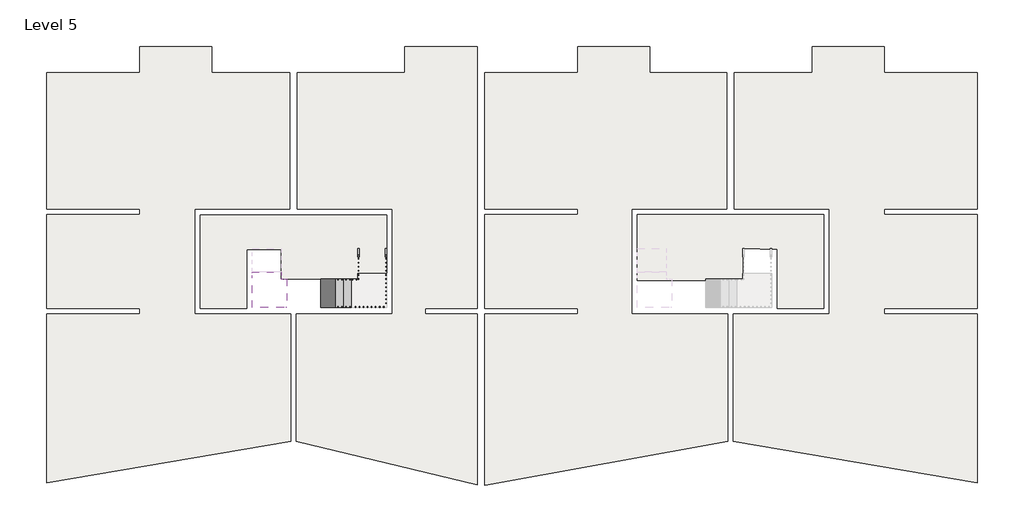
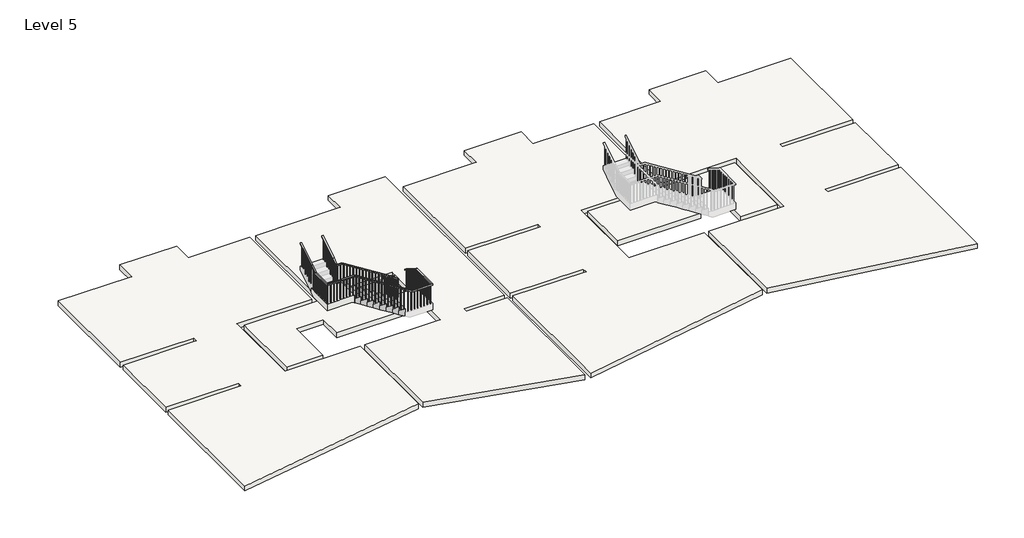
# One storey, part 1 of 2: 7 slabs, 2 railings, 1 stair flight.
"""IFC4 building model written with IfcOpenShell, lengths in millimetres."""

from ifc_helpers import new_model, si_unit, frame, origin, place, context, project, spatial, polyline, outline, extrude, faceted_brep, element, save

model = new_model("IFC4")

# Units and contexts
model_context = context("Model", 3, world=origin())
ifc_project = project(units=[si_unit("LENGTHUNIT", "METRE", prefix="MILLI")], contexts=[model_context])

# Site, building, storey
site = spatial("IfcSite", under=ifc_project)
building = spatial("IfcBuilding", under=site)
storey = spatial("IfcBuildingStorey", under=building, Name="Level 5", Elevation=14800.0)

# Railings
placement = place(None, origin())
element("IfcRailing", 1, ObjectType="900mm", at=placement, inside=storey, context=model_context, shape_type="SolidModel", body=[
    faceted_brep([(-7197.4096791, 12537.190715, 15876.7647059), (-7197.4096791, 12537.190715, 15817.6347035), (-7247.4096791, 12537.190715, 15817.6347035), (-7247.4096791, 12537.190715, 15876.7647059), (-7197.4096791, 11697.190715, 16407.0588235), (-7197.4096791, 11682.7285481, 16357.0588235), (-7247.4096791, 11682.7285481, 16357.0588235), (-7247.4096791, 11697.190715, 16407.0588235), (-7197.4096791, 11441.790715, 16407.0588235), (-7247.4096791, 11441.790715, 16407.0588235), (-7247.4096791, 11441.790715, 16357.0588235), (-7197.4096791, 11441.790715, 16357.0588235)], [[[0, 1, 2, 3]], [[1, 0, 4, 5]], [[2, 1, 5, 6]], [[3, 2, 6, 7]], [[0, 3, 7, 4]], [[8, 9, 10, 11]], [[5, 4, 8, 11]], [[6, 5, 11, 10]], [[7, 6, 10, 9]], [[4, 7, 9, 8]]]),
    faceted_brep([(-7247.4096791, 11441.790715, 16427.57469), (-7247.4096791, 11441.790715, 16362.8939115), (-7247.4096791, 11491.790715, 16362.8939115), (-7247.4096791, 11491.790715, 16427.57469), (-7437.8096791, 11441.790715, 16583.8235294), (-7467.1273437, 11441.790715, 16543.2018426), (-7467.1273437, 11491.790715, 16543.2018426), (-7437.8096791, 11491.790715, 16583.8235294), (-9677.8096791, 11441.790715, 17997.9411765), (-9692.2718459, 11441.790715, 17947.9411765), (-9692.2718459, 11491.790715, 17947.9411765), (-9677.8096791, 11491.790715, 17997.9411765), (-9948.2096791, 11441.790715, 17997.9411765), (-9948.2096791, 11491.790715, 17997.9411765), (-9948.2096791, 11491.790715, 17947.9411765), (-9948.2096791, 11441.790715, 17947.9411765)], [[[0, 1, 2, 3]], [[1, 0, 4, 5]], [[2, 1, 5, 6]], [[3, 2, 6, 7]], [[0, 3, 7, 4]], [[5, 4, 8, 9]], [[6, 5, 9, 10]], [[7, 6, 10, 11]], [[4, 7, 11, 8]], [[12, 13, 14, 15]], [[9, 8, 12, 15]], [[10, 9, 15, 14]], [[11, 10, 14, 13]], [[8, 11, 13, 12]]]),
    faceted_brep([(-9948.2096791, 11491.790715, 18017.1213746), (-9948.2096791, 11491.790715, 17954.1013778), (-9898.2096791, 11491.790715, 17954.1013778), (-9898.2096791, 11491.790715, 18017.1213746), (-9948.2096791, 11697.190715, 18174.7058824), (-9948.2096791, 11725.8135241, 18133.6455315), (-9898.2096791, 11725.8135241, 18133.6455315), (-9898.2096791, 11697.190715, 18174.7058824), (-9948.2096791, 12537.190715, 18705.0), (-9898.2096791, 12537.190715, 18705.0), (-9898.2096791, 12537.190715, 18645.8699976), (-9948.2096791, 12537.190715, 18645.8699976)], [[[0, 1, 2, 3]], [[1, 0, 4, 5]], [[2, 1, 5, 6]], [[3, 2, 6, 7]], [[0, 3, 7, 4]], [[8, 9, 10, 11]], [[5, 4, 8, 11]], [[6, 5, 11, 10]], [[7, 6, 10, 9]], [[4, 7, 9, 8]]]),
    extrude(outline(polyline([(12457.190715, 17628.2352941), (12457.190715, 18595.3657959), (12477.190715, 18607.9918463), (12477.190715, 17628.2352941), (12457.190715, 17628.2352941)])), frame((-9933.2096791, 0.0, 0.0), z_axis=(1.0, 0.0, 0.0), x_axis=(0.0, 1.0, 0.0)), (0.0, 0.0, 1.0), 20.0),
    extrude(outline(polyline([(12317.190715, 17628.2352941), (12317.190715, 18506.983443), (12337.190715, 18519.6094934), (12337.190715, 17628.2352941), (12317.190715, 17628.2352941)])), frame((-9933.2096791, 0.0, 0.0), z_axis=(1.0, 0.0, 0.0), x_axis=(0.0, 1.0, 0.0)), (0.0, 0.0, 1.0), 20.0),
    extrude(outline(polyline([(12177.190715, 17451.4705882), (12177.190715, 18418.60109), (12197.190715, 18431.2271405), (12197.190715, 17451.4705882), (12177.190715, 17451.4705882)])), frame((-9933.2096791, 0.0, 0.0), z_axis=(1.0, 0.0, 0.0), x_axis=(0.0, 1.0, 0.0)), (0.0, 0.0, 1.0), 20.0),
    extrude(outline(polyline([(12037.190715, 17451.4705882), (12037.190715, 18330.2187371), (12057.190715, 18342.8447875), (12057.190715, 17451.4705882), (12037.190715, 17451.4705882)])), frame((-9933.2096791, 0.0, 0.0), z_axis=(1.0, 0.0, 0.0), x_axis=(0.0, 1.0, 0.0)), (0.0, 0.0, 1.0), 20.0),
    extrude(outline(polyline([(11897.190715, 17274.7058824), (11897.190715, 18241.8363842), (11917.190715, 18254.4624346), (11917.190715, 17274.7058824), (11897.190715, 17274.7058824)])), frame((-9933.2096791, 0.0, 0.0), z_axis=(1.0, 0.0, 0.0), x_axis=(0.0, 1.0, 0.0)), (0.0, 0.0, 1.0), 20.0),
    extrude(outline(polyline([(11757.190715, 17274.7058824), (11757.190715, 18153.4540312), (11777.190715, 18166.0800816), (11777.190715, 17274.7058824), (11757.190715, 17274.7058824)])), frame((-9933.2096791, 0.0, 0.0), z_axis=(1.0, 0.0, 0.0), x_axis=(0.0, 1.0, 0.0)), (0.0, 0.0, 1.0), 20.0),
    extrude(outline(polyline([(11666.790715, 17097.9411765), (11666.790715, 18088.3627646), (11686.790715, 18103.7069231), (11686.790715, 17097.9411765), (11666.790715, 17097.9411765)])), frame((-9933.2096791, 0.0, 0.0), z_axis=(1.0, 0.0, 0.0), x_axis=(0.0, 1.0, 0.0)), (0.0, 0.0, 1.0), 20.0),
    extrude(outline(polyline([(11526.790715, 17097.9411765), (11526.790715, 17980.9536551), (11546.790715, 17996.2978136), (11546.790715, 17097.9411765), (11526.790715, 17097.9411765)])), frame((-9933.2096791, 0.0, 0.0), z_axis=(1.0, 0.0, 0.0), x_axis=(0.0, 1.0, 0.0)), (0.0, 0.0, 1.0), 20.0),
    extrude(outline(polyline([(-9877.8096791, 11476.790715), (-9877.8096791, 11456.790715), (-9897.8096791, 11456.790715), (-9897.8096791, 11476.790715), (-9877.8096791, 11476.790715)])), frame((0.0, 0.0, 17097.9411765), z_axis=(0.0, 0.0, 1.0), x_axis=(1.0, 0.0, 0.0)), (0.0, 0.0, 1.0), 850.0),
    extrude(outline(polyline([(-9737.8096791, 11476.790715), (-9737.8096791, 11456.790715), (-9757.8096791, 11456.790715), (-9757.8096791, 11476.790715), (-9737.8096791, 11476.790715)])), frame((0.0, 0.0, 17097.9411765), z_axis=(0.0, 0.0, 1.0), x_axis=(1.0, 0.0, 0.0)), (0.0, 0.0, 1.0), 850.0),
    extrude(outline(polyline([(16921.1764706, -9597.8096791), (17888.3069724, -9597.8096791), (17900.9330228, -9617.8096791), (16921.1764706, -9617.8096791), (16921.1764706, -9597.8096791)])), frame((0.0, 11456.790715, 0.0), z_axis=(0.0, 1.0, 0.0), x_axis=(0.0, 0.0, 1.0)), (0.0, 0.0, 1.0), 20.0),
    extrude(outline(polyline([(16921.1764706, -9457.8096791), (17799.9246195, -9457.8096791), (17812.5506699, -9477.8096791), (16921.1764706, -9477.8096791), (16921.1764706, -9457.8096791)])), frame((0.0, 11456.790715, 0.0), z_axis=(0.0, 1.0, 0.0), x_axis=(0.0, 0.0, 1.0)), (0.0, 0.0, 1.0), 20.0),
    extrude(outline(polyline([(16744.4117647, -9317.8096791), (17711.5422665, -9317.8096791), (17724.1683169, -9337.8096791), (16744.4117647, -9337.8096791), (16744.4117647, -9317.8096791)])), frame((0.0, 11456.790715, 0.0), z_axis=(0.0, 1.0, 0.0), x_axis=(0.0, 0.0, 1.0)), (0.0, 0.0, 1.0), 20.0),
    extrude(outline(polyline([(16744.4117647, -9177.8096791), (17623.1599136, -9177.8096791), (17635.785964, -9197.8096791), (16744.4117647, -9197.8096791), (16744.4117647, -9177.8096791)])), frame((0.0, 11456.790715, 0.0), z_axis=(0.0, 1.0, 0.0), x_axis=(0.0, 0.0, 1.0)), (0.0, 0.0, 1.0), 20.0),
    extrude(outline(polyline([(16567.6470588, -9037.8096791), (17534.7775606, -9037.8096791), (17547.4036111, -9057.8096791), (16567.6470588, -9057.8096791), (16567.6470588, -9037.8096791)])), frame((0.0, 11456.790715, 0.0), z_axis=(0.0, 1.0, 0.0), x_axis=(0.0, 0.0, 1.0)), (0.0, 0.0, 1.0), 20.0),
    extrude(outline(polyline([(16567.6470588, -8897.8096791), (17446.3952077, -8897.8096791), (17459.0212581, -8917.8096791), (16567.6470588, -8917.8096791), (16567.6470588, -8897.8096791)])), frame((0.0, 11456.790715, 0.0), z_axis=(0.0, 1.0, 0.0), x_axis=(0.0, 0.0, 1.0)), (0.0, 0.0, 1.0), 20.0),
    extrude(outline(polyline([(16390.8823529, -8757.8096791), (17358.0128548, -8757.8096791), (17370.6389052, -8777.8096791), (16390.8823529, -8777.8096791), (16390.8823529, -8757.8096791)])), frame((0.0, 11456.790715, 0.0), z_axis=(0.0, 1.0, 0.0), x_axis=(0.0, 0.0, 1.0)), (0.0, 0.0, 1.0), 20.0),
    extrude(outline(polyline([(16390.8823529, -8617.8096791), (17269.6305018, -8617.8096791), (17282.2565522, -8637.8096791), (16390.8823529, -8637.8096791), (16390.8823529, -8617.8096791)])), frame((0.0, 11456.790715, 0.0), z_axis=(0.0, 1.0, 0.0), x_axis=(0.0, 0.0, 1.0)), (0.0, 0.0, 1.0), 20.0),
    extrude(outline(polyline([(16214.1176471, -8477.8096791), (17181.2481489, -8477.8096791), (17193.8741993, -8497.8096791), (16214.1176471, -8497.8096791), (16214.1176471, -8477.8096791)])), frame((0.0, 11456.790715, 0.0), z_axis=(0.0, 1.0, 0.0), x_axis=(0.0, 0.0, 1.0)), (0.0, 0.0, 1.0), 20.0),
    extrude(outline(polyline([(16214.1176471, -8337.8096791), (17092.8657959, -8337.8096791), (17105.4918463, -8357.8096791), (16214.1176471, -8357.8096791), (16214.1176471, -8337.8096791)])), frame((0.0, 11456.790715, 0.0), z_axis=(0.0, 1.0, 0.0), x_axis=(0.0, 0.0, 1.0)), (0.0, 0.0, 1.0), 20.0),
    extrude(outline(polyline([(16037.3529412, -8197.8096791), (17004.483443, -8197.8096791), (17017.1094934, -8217.8096791), (16037.3529412, -8217.8096791), (16037.3529412, -8197.8096791)])), frame((0.0, 11456.790715, 0.0), z_axis=(0.0, 1.0, 0.0), x_axis=(0.0, 0.0, 1.0)), (0.0, 0.0, 1.0), 20.0),
    extrude(outline(polyline([(16037.3529412, -8057.8096791), (16916.10109, -8057.8096791), (16928.7271405, -8077.8096791), (16037.3529412, -8077.8096791), (16037.3529412, -8057.8096791)])), frame((0.0, 11456.790715, 0.0), z_axis=(0.0, 1.0, 0.0), x_axis=(0.0, 0.0, 1.0)), (0.0, 0.0, 1.0), 20.0),
    extrude(outline(polyline([(15860.5882353, -7917.8096791), (16827.7187371, -7917.8096791), (16840.3447875, -7937.8096791), (15860.5882353, -7937.8096791), (15860.5882353, -7917.8096791)])), frame((0.0, 11456.790715, 0.0), z_axis=(0.0, 1.0, 0.0), x_axis=(0.0, 0.0, 1.0)), (0.0, 0.0, 1.0), 20.0),
    extrude(outline(polyline([(15860.5882353, -7777.8096791), (16739.3363842, -7777.8096791), (16751.9624346, -7797.8096791), (15860.5882353, -7797.8096791), (15860.5882353, -7777.8096791)])), frame((0.0, 11456.790715, 0.0), z_axis=(0.0, 1.0, 0.0), x_axis=(0.0, 0.0, 1.0)), (0.0, 0.0, 1.0), 20.0),
    extrude(outline(polyline([(15683.8235294, -7637.8096791), (16650.9540312, -7637.8096791), (16663.5800816, -7657.8096791), (15683.8235294, -7657.8096791), (15683.8235294, -7637.8096791)])), frame((0.0, 11456.790715, 0.0), z_axis=(0.0, 1.0, 0.0), x_axis=(0.0, 0.0, 1.0)), (0.0, 0.0, 1.0), 20.0),
    extrude(outline(polyline([(15683.8235294, -7497.8096791), (16562.5716783, -7497.8096791), (16575.1977287, -7517.8096791), (15683.8235294, -7517.8096791), (15683.8235294, -7497.8096791)])), frame((0.0, 11456.790715, 0.0), z_axis=(0.0, 1.0, 0.0), x_axis=(0.0, 0.0, 1.0)), (0.0, 0.0, 1.0), 20.0),
    extrude(outline(polyline([(15507.0588235, -7422.4096791), (16506.5049771, -7422.4096791), (16522.9176703, -7442.4096791), (15507.0588235, -7442.4096791), (15507.0588235, -7422.4096791)])), frame((0.0, 11456.790715, 0.0), z_axis=(0.0, 1.0, 0.0), x_axis=(0.0, 0.0, 1.0)), (0.0, 0.0, 1.0), 20.0),
    extrude(outline(polyline([(15507.0588235, -7282.4096791), (16391.6161246, -7282.4096791), (16408.0288178, -7302.4096791), (15507.0588235, -7302.4096791), (15507.0588235, -7282.4096791)])), frame((0.0, 11456.790715, 0.0), z_axis=(0.0, 1.0, 0.0), x_axis=(0.0, 0.0, 1.0)), (0.0, 0.0, 1.0), 20.0),
    extrude(outline(polyline([(-7232.4096791, 11497.190715), (-7212.4096791, 11497.190715), (-7212.4096791, 11477.190715), (-7232.4096791, 11477.190715), (-7232.4096791, 11497.190715)])), frame((0.0, 0.0, 15507.0588235), z_axis=(0.0, 0.0, 1.0), x_axis=(1.0, 0.0, 0.0)), (0.0, 0.0, 1.0), 850.0),
    extrude(outline(polyline([(-7232.4096791, 11637.190715), (-7212.4096791, 11637.190715), (-7212.4096791, 11617.190715), (-7232.4096791, 11617.190715), (-7232.4096791, 11637.190715)])), frame((0.0, 0.0, 15507.0588235), z_axis=(0.0, 0.0, 1.0), x_axis=(1.0, 0.0, 0.0)), (0.0, 0.0, 1.0), 850.0),
    extrude(outline(polyline([(11777.190715, 16297.4246195), (11777.190715, 15330.2941176), (11757.190715, 15330.2941176), (11757.190715, 16310.0506699), (11777.190715, 16297.4246195)])), frame((-7232.4096791, 0.0, 0.0), z_axis=(1.0, 0.0, 0.0), x_axis=(0.0, 1.0, 0.0)), (0.0, 0.0, 1.0), 20.0),
    extrude(outline(polyline([(11917.190715, 16209.0422665), (11917.190715, 15330.2941176), (11897.190715, 15330.2941176), (11897.190715, 16221.6683169), (11917.190715, 16209.0422665)])), frame((-7232.4096791, 0.0, 0.0), z_axis=(1.0, 0.0, 0.0), x_axis=(0.0, 1.0, 0.0)), (0.0, 0.0, 1.0), 20.0),
    extrude(outline(polyline([(12057.190715, 16120.6599136), (12057.190715, 15153.5294118), (12037.190715, 15153.5294118), (12037.190715, 16133.285964), (12057.190715, 16120.6599136)])), frame((-7232.4096791, 0.0, 0.0), z_axis=(1.0, 0.0, 0.0), x_axis=(0.0, 1.0, 0.0)), (0.0, 0.0, 1.0), 20.0),
    extrude(outline(polyline([(12197.190715, 16032.2775606), (12197.190715, 15153.5294118), (12177.190715, 15153.5294118), (12177.190715, 16044.9036111), (12197.190715, 16032.2775606)])), frame((-7232.4096791, 0.0, 0.0), z_axis=(1.0, 0.0, 0.0), x_axis=(0.0, 1.0, 0.0)), (0.0, 0.0, 1.0), 20.0),
    extrude(outline(polyline([(12337.190715, 15943.8952077), (12337.190715, 14976.7647059), (12317.190715, 14976.7647059), (12317.190715, 15956.5212581), (12337.190715, 15943.8952077)])), frame((-7232.4096791, 0.0, 0.0), z_axis=(1.0, 0.0, 0.0), x_axis=(0.0, 1.0, 0.0)), (0.0, 0.0, 1.0), 20.0),
    extrude(outline(polyline([(12477.190715, 15855.5128548), (12477.190715, 14976.7647059), (12457.190715, 14976.7647059), (12457.190715, 15868.1389052), (12477.190715, 15855.5128548)])), frame((-7232.4096791, 0.0, 0.0), z_axis=(1.0, 0.0, 0.0), x_axis=(0.0, 1.0, 0.0)), (0.0, 0.0, 1.0), 20.0),
])
element("IfcRailing", 2, ObjectType="900mm", at=placement, inside=storey, context=model_context, shape_type="SolidModel", body=[
    faceted_brep([(-6248.2096791, 12537.190715, 15876.7647059), (-6248.2096791, 12537.190715, 15817.6347035), (-6298.2096791, 12537.190715, 15817.6347035), (-6298.2096791, 12537.190715, 15876.7647059), (-6248.2096791, 11697.190715, 16407.0588235), (-6248.2096791, 11682.7285481, 16357.0588235), (-6298.2096791, 11682.7285481, 16357.0588235), (-6298.2096791, 11697.190715, 16407.0588235), (-6248.2096791, 10492.590715, 16407.0588235), (-6248.2096791, 10492.590715, 16357.0588235), (-6298.2096791, 10542.590715, 16357.0588235), (-6298.2096791, 10542.590715, 16407.0588235), (-7157.8096791, 10492.590715, 16407.0588235), (-7172.2718459, 10492.590715, 16357.0588235), (-7172.2718459, 10542.590715, 16357.0588235), (-7157.8096791, 10542.590715, 16407.0588235), (-7437.8096791, 10492.590715, 16583.8235294), (-7464.5009735, 10492.590715, 16541.5438085), (-7464.5009735, 10542.590715, 16541.5438085), (-7437.8096791, 10542.590715, 16583.8235294), (-9677.8096791, 10492.590715, 17997.9411765), (-9692.2718459, 10492.590715, 17947.9411765), (-9692.2718459, 10542.590715, 17947.9411765), (-9677.8096791, 10542.590715, 17997.9411765), (-10897.4096791, 10492.590715, 17997.9411765), (-10897.4096791, 10492.590715, 17947.9411765), (-10847.4096791, 10542.590715, 17947.9411765), (-10847.4096791, 10542.590715, 17997.9411765), (-10897.4096791, 11417.190715, 17997.9411765), (-10897.4096791, 11431.6528818, 17947.9411765), (-10847.4096791, 11431.6528818, 17947.9411765), (-10847.4096791, 11417.190715, 17997.9411765), (-10897.4096791, 11697.190715, 18174.7058824), (-10897.4096791, 11723.8820094, 18132.4261614), (-10847.4096791, 11723.8820094, 18132.4261614), (-10847.4096791, 11697.190715, 18174.7058824), (-10897.4096791, 12537.190715, 18705.0), (-10847.4096791, 12537.190715, 18705.0), (-10847.4096791, 12537.190715, 18645.8699976), (-10897.4096791, 12537.190715, 18645.8699976)], [[[0, 1, 2, 3]], [[1, 0, 4, 5]], [[2, 1, 5, 6]], [[3, 2, 6, 7]], [[0, 3, 7, 4]], [[5, 4, 8, 9]], [[6, 5, 9, 10]], [[7, 6, 10, 11]], [[4, 7, 11, 8]], [[9, 8, 12, 13]], [[10, 9, 13, 14]], [[11, 10, 14, 15]], [[8, 11, 15, 12]], [[13, 12, 16, 17]], [[14, 13, 17, 18]], [[15, 14, 18, 19]], [[12, 15, 19, 16]], [[17, 16, 20, 21]], [[18, 17, 21, 22]], [[19, 18, 22, 23]], [[16, 19, 23, 20]], [[21, 20, 24, 25]], [[22, 21, 25, 26]], [[23, 22, 26, 27]], [[20, 23, 27, 24]], [[25, 24, 28, 29]], [[26, 25, 29, 30]], [[27, 26, 30, 31]], [[24, 27, 31, 28]], [[29, 28, 32, 33]], [[30, 29, 33, 34]], [[31, 30, 34, 35]], [[28, 31, 35, 32]], [[36, 37, 38, 39]], [[33, 32, 36, 39]], [[34, 33, 39, 38]], [[35, 34, 38, 37]], [[32, 35, 37, 36]]]),
    extrude(outline(polyline([(12457.190715, 18595.3657959), (12477.190715, 18607.9918463), (12477.190715, 17628.2352941), (12457.190715, 17628.2352941), (12457.190715, 18595.3657959)])), frame((-10882.4096791, 0.0, 0.0), z_axis=(1.0, 0.0, 0.0), x_axis=(0.0, 1.0, 0.0)), (0.0, 0.0, 1.0), 20.0),
    extrude(outline(polyline([(12317.190715, 18506.983443), (12337.190715, 18519.6094934), (12337.190715, 17628.2352941), (12317.190715, 17628.2352941), (12317.190715, 18506.983443)])), frame((-10882.4096791, 0.0, 0.0), z_axis=(1.0, 0.0, 0.0), x_axis=(0.0, 1.0, 0.0)), (0.0, 0.0, 1.0), 20.0),
    extrude(outline(polyline([(12177.190715, 18418.60109), (12197.190715, 18431.2271405), (12197.190715, 17451.4705882), (12177.190715, 17451.4705882), (12177.190715, 18418.60109)])), frame((-10882.4096791, 0.0, 0.0), z_axis=(1.0, 0.0, 0.0), x_axis=(0.0, 1.0, 0.0)), (0.0, 0.0, 1.0), 20.0),
    extrude(outline(polyline([(12037.190715, 18330.2187371), (12057.190715, 18342.8447875), (12057.190715, 17451.4705882), (12037.190715, 17451.4705882), (12037.190715, 18330.2187371)])), frame((-10882.4096791, 0.0, 0.0), z_axis=(1.0, 0.0, 0.0), x_axis=(0.0, 1.0, 0.0)), (0.0, 0.0, 1.0), 20.0),
    extrude(outline(polyline([(11897.190715, 18241.8363842), (11917.190715, 18254.4624346), (11917.190715, 17274.7058824), (11897.190715, 17274.7058824), (11897.190715, 18241.8363842)])), frame((-10882.4096791, 0.0, 0.0), z_axis=(1.0, 0.0, 0.0), x_axis=(0.0, 1.0, 0.0)), (0.0, 0.0, 1.0), 20.0),
    extrude(outline(polyline([(11757.190715, 18153.4540312), (11777.190715, 18166.0800816), (11777.190715, 17274.7058824), (11757.190715, 17274.7058824), (11757.190715, 18153.4540312)])), frame((-10882.4096791, 0.0, 0.0), z_axis=(1.0, 0.0, 0.0), x_axis=(0.0, 1.0, 0.0)), (0.0, 0.0, 1.0), 20.0),
    extrude(outline(polyline([(11557.590715, 18027.446048), (11577.590715, 18040.0720985), (11577.590715, 17097.9411765), (11557.590715, 17097.9411765), (11557.590715, 18027.446048)])), frame((-10882.4096791, 0.0, 0.0), z_axis=(1.0, 0.0, 0.0), x_axis=(0.0, 1.0, 0.0)), (0.0, 0.0, 1.0), 20.0),
    extrude(outline(polyline([(11417.590715, 17939.0636951), (11437.590715, 17951.6897455), (11437.590715, 17097.9411765), (11417.590715, 17097.9411765), (11417.590715, 17939.0636951)])), frame((-10882.4096791, 0.0, 0.0), z_axis=(1.0, 0.0, 0.0), x_axis=(0.0, 1.0, 0.0)), (0.0, 0.0, 1.0), 20.0),
    extrude(outline(polyline([(-10882.4096791, 11277.590715), (-10882.4096791, 11297.590715), (-10862.4096791, 11297.590715), (-10862.4096791, 11277.590715), (-10882.4096791, 11277.590715)])), frame((0.0, 0.0, 17097.9411765), z_axis=(0.0, 0.0, 1.0), x_axis=(1.0, 0.0, 0.0)), (0.0, 0.0, 1.0), 850.0),
    extrude(outline(polyline([(-10882.4096791, 11137.590715), (-10882.4096791, 11157.590715), (-10862.4096791, 11157.590715), (-10862.4096791, 11137.590715), (-10882.4096791, 11137.590715)])), frame((0.0, 0.0, 17097.9411765), z_axis=(0.0, 0.0, 1.0), x_axis=(1.0, 0.0, 0.0)), (0.0, 0.0, 1.0), 850.0),
    extrude(outline(polyline([(-10882.4096791, 10997.590715), (-10882.4096791, 11017.590715), (-10862.4096791, 11017.590715), (-10862.4096791, 10997.590715), (-10882.4096791, 10997.590715)])), frame((0.0, 0.0, 17097.9411765), z_axis=(0.0, 0.0, 1.0), x_axis=(1.0, 0.0, 0.0)), (0.0, 0.0, 1.0), 850.0),
    extrude(outline(polyline([(-10882.4096791, 10857.590715), (-10882.4096791, 10877.590715), (-10862.4096791, 10877.590715), (-10862.4096791, 10857.590715), (-10882.4096791, 10857.590715)])), frame((0.0, 0.0, 17097.9411765), z_axis=(0.0, 0.0, 1.0), x_axis=(1.0, 0.0, 0.0)), (0.0, 0.0, 1.0), 850.0),
    extrude(outline(polyline([(-10882.4096791, 10717.590715), (-10882.4096791, 10737.590715), (-10862.4096791, 10737.590715), (-10862.4096791, 10717.590715), (-10882.4096791, 10717.590715)])), frame((0.0, 0.0, 17097.9411765), z_axis=(0.0, 0.0, 1.0), x_axis=(1.0, 0.0, 0.0)), (0.0, 0.0, 1.0), 850.0),
    extrude(outline(polyline([(-10882.4096791, 10577.590715), (-10882.4096791, 10597.590715), (-10862.4096791, 10597.590715), (-10862.4096791, 10577.590715), (-10882.4096791, 10577.590715)])), frame((0.0, 0.0, 17097.9411765), z_axis=(0.0, 0.0, 1.0), x_axis=(1.0, 0.0, 0.0)), (0.0, 0.0, 1.0), 850.0),
    extrude(outline(polyline([(-10857.8096791, 10507.590715), (-10877.8096791, 10507.590715), (-10877.8096791, 10527.590715), (-10857.8096791, 10527.590715), (-10857.8096791, 10507.590715)])), frame((0.0, 0.0, 17097.9411765), z_axis=(0.0, 0.0, 1.0), x_axis=(1.0, 0.0, 0.0)), (0.0, 0.0, 1.0), 850.0),
    extrude(outline(polyline([(-10717.8096791, 10507.590715), (-10737.8096791, 10507.590715), (-10737.8096791, 10527.590715), (-10717.8096791, 10527.590715), (-10717.8096791, 10507.590715)])), frame((0.0, 0.0, 17097.9411765), z_axis=(0.0, 0.0, 1.0), x_axis=(1.0, 0.0, 0.0)), (0.0, 0.0, 1.0), 850.0),
    extrude(outline(polyline([(-10577.8096791, 10507.590715), (-10597.8096791, 10507.590715), (-10597.8096791, 10527.590715), (-10577.8096791, 10527.590715), (-10577.8096791, 10507.590715)])), frame((0.0, 0.0, 17097.9411765), z_axis=(0.0, 0.0, 1.0), x_axis=(1.0, 0.0, 0.0)), (0.0, 0.0, 1.0), 850.0),
    extrude(outline(polyline([(-10437.8096791, 10507.590715), (-10457.8096791, 10507.590715), (-10457.8096791, 10527.590715), (-10437.8096791, 10527.590715), (-10437.8096791, 10507.590715)])), frame((0.0, 0.0, 17097.9411765), z_axis=(0.0, 0.0, 1.0), x_axis=(1.0, 0.0, 0.0)), (0.0, 0.0, 1.0), 850.0),
    extrude(outline(polyline([(-10297.8096791, 10507.590715), (-10317.8096791, 10507.590715), (-10317.8096791, 10527.590715), (-10297.8096791, 10527.590715), (-10297.8096791, 10507.590715)])), frame((0.0, 0.0, 17097.9411765), z_axis=(0.0, 0.0, 1.0), x_axis=(1.0, 0.0, 0.0)), (0.0, 0.0, 1.0), 850.0),
    extrude(outline(polyline([(-10157.8096791, 10507.590715), (-10177.8096791, 10507.590715), (-10177.8096791, 10527.590715), (-10157.8096791, 10527.590715), (-10157.8096791, 10507.590715)])), frame((0.0, 0.0, 17097.9411765), z_axis=(0.0, 0.0, 1.0), x_axis=(1.0, 0.0, 0.0)), (0.0, 0.0, 1.0), 850.0),
    extrude(outline(polyline([(-10017.8096791, 10507.590715), (-10037.8096791, 10507.590715), (-10037.8096791, 10527.590715), (-10017.8096791, 10527.590715), (-10017.8096791, 10507.590715)])), frame((0.0, 0.0, 17097.9411765), z_axis=(0.0, 0.0, 1.0), x_axis=(1.0, 0.0, 0.0)), (0.0, 0.0, 1.0), 850.0),
    extrude(outline(polyline([(-9877.8096791, 10507.590715), (-9897.8096791, 10507.590715), (-9897.8096791, 10527.590715), (-9877.8096791, 10527.590715), (-9877.8096791, 10507.590715)])), frame((0.0, 0.0, 17097.9411765), z_axis=(0.0, 0.0, 1.0), x_axis=(1.0, 0.0, 0.0)), (0.0, 0.0, 1.0), 850.0),
    extrude(outline(polyline([(-9737.8096791, 10507.590715), (-9757.8096791, 10507.590715), (-9757.8096791, 10527.590715), (-9737.8096791, 10527.590715), (-9737.8096791, 10507.590715)])), frame((0.0, 0.0, 17097.9411765), z_axis=(0.0, 0.0, 1.0), x_axis=(1.0, 0.0, 0.0)), (0.0, 0.0, 1.0), 850.0),
    extrude(outline(polyline([(17888.3069724, -9597.8096791), (17900.9330228, -9617.8096791), (16921.1764706, -9617.8096791), (16921.1764706, -9597.8096791), (17888.3069724, -9597.8096791)])), frame((0.0, 10507.590715, 0.0), z_axis=(0.0, 1.0, 0.0), x_axis=(0.0, 0.0, 1.0)), (0.0, 0.0, 1.0), 20.0),
    extrude(outline(polyline([(17799.9246195, -9457.8096791), (17812.5506699, -9477.8096791), (16921.1764706, -9477.8096791), (16921.1764706, -9457.8096791), (17799.9246195, -9457.8096791)])), frame((0.0, 10507.590715, 0.0), z_axis=(0.0, 1.0, 0.0), x_axis=(0.0, 0.0, 1.0)), (0.0, 0.0, 1.0), 20.0),
    extrude(outline(polyline([(17711.5422665, -9317.8096791), (17724.1683169, -9337.8096791), (16744.4117647, -9337.8096791), (16744.4117647, -9317.8096791), (17711.5422665, -9317.8096791)])), frame((0.0, 10507.590715, 0.0), z_axis=(0.0, 1.0, 0.0), x_axis=(0.0, 0.0, 1.0)), (0.0, 0.0, 1.0), 20.0),
    extrude(outline(polyline([(17623.1599136, -9177.8096791), (17635.785964, -9197.8096791), (16744.4117647, -9197.8096791), (16744.4117647, -9177.8096791), (17623.1599136, -9177.8096791)])), frame((0.0, 10507.590715, 0.0), z_axis=(0.0, 1.0, 0.0), x_axis=(0.0, 0.0, 1.0)), (0.0, 0.0, 1.0), 20.0),
    extrude(outline(polyline([(17534.7775606, -9037.8096791), (17547.4036111, -9057.8096791), (16567.6470588, -9057.8096791), (16567.6470588, -9037.8096791), (17534.7775606, -9037.8096791)])), frame((0.0, 10507.590715, 0.0), z_axis=(0.0, 1.0, 0.0), x_axis=(0.0, 0.0, 1.0)), (0.0, 0.0, 1.0), 20.0),
    extrude(outline(polyline([(17446.3952077, -8897.8096791), (17459.0212581, -8917.8096791), (16567.6470588, -8917.8096791), (16567.6470588, -8897.8096791), (17446.3952077, -8897.8096791)])), frame((0.0, 10507.590715, 0.0), z_axis=(0.0, 1.0, 0.0), x_axis=(0.0, 0.0, 1.0)), (0.0, 0.0, 1.0), 20.0),
    extrude(outline(polyline([(17358.0128548, -8757.8096791), (17370.6389052, -8777.8096791), (16390.8823529, -8777.8096791), (16390.8823529, -8757.8096791), (17358.0128548, -8757.8096791)])), frame((0.0, 10507.590715, 0.0), z_axis=(0.0, 1.0, 0.0), x_axis=(0.0, 0.0, 1.0)), (0.0, 0.0, 1.0), 20.0),
    extrude(outline(polyline([(17269.6305018, -8617.8096791), (17282.2565522, -8637.8096791), (16390.8823529, -8637.8096791), (16390.8823529, -8617.8096791), (17269.6305018, -8617.8096791)])), frame((0.0, 10507.590715, 0.0), z_axis=(0.0, 1.0, 0.0), x_axis=(0.0, 0.0, 1.0)), (0.0, 0.0, 1.0), 20.0),
    extrude(outline(polyline([(17181.2481489, -8477.8096791), (17193.8741993, -8497.8096791), (16214.1176471, -8497.8096791), (16214.1176471, -8477.8096791), (17181.2481489, -8477.8096791)])), frame((0.0, 10507.590715, 0.0), z_axis=(0.0, 1.0, 0.0), x_axis=(0.0, 0.0, 1.0)), (0.0, 0.0, 1.0), 20.0),
    extrude(outline(polyline([(17092.8657959, -8337.8096791), (17105.4918463, -8357.8096791), (16214.1176471, -8357.8096791), (16214.1176471, -8337.8096791), (17092.8657959, -8337.8096791)])), frame((0.0, 10507.590715, 0.0), z_axis=(0.0, 1.0, 0.0), x_axis=(0.0, 0.0, 1.0)), (0.0, 0.0, 1.0), 20.0),
    extrude(outline(polyline([(17004.483443, -8197.8096791), (17017.1094934, -8217.8096791), (16037.3529412, -8217.8096791), (16037.3529412, -8197.8096791), (17004.483443, -8197.8096791)])), frame((0.0, 10507.590715, 0.0), z_axis=(0.0, 1.0, 0.0), x_axis=(0.0, 0.0, 1.0)), (0.0, 0.0, 1.0), 20.0),
    extrude(outline(polyline([(16916.10109, -8057.8096791), (16928.7271405, -8077.8096791), (16037.3529412, -8077.8096791), (16037.3529412, -8057.8096791), (16916.10109, -8057.8096791)])), frame((0.0, 10507.590715, 0.0), z_axis=(0.0, 1.0, 0.0), x_axis=(0.0, 0.0, 1.0)), (0.0, 0.0, 1.0), 20.0),
    extrude(outline(polyline([(16827.7187371, -7917.8096791), (16840.3447875, -7937.8096791), (15860.5882353, -7937.8096791), (15860.5882353, -7917.8096791), (16827.7187371, -7917.8096791)])), frame((0.0, 10507.590715, 0.0), z_axis=(0.0, 1.0, 0.0), x_axis=(0.0, 0.0, 1.0)), (0.0, 0.0, 1.0), 20.0),
    extrude(outline(polyline([(16739.3363842, -7777.8096791), (16751.9624346, -7797.8096791), (15860.5882353, -7797.8096791), (15860.5882353, -7777.8096791), (16739.3363842, -7777.8096791)])), frame((0.0, 10507.590715, 0.0), z_axis=(0.0, 1.0, 0.0), x_axis=(0.0, 0.0, 1.0)), (0.0, 0.0, 1.0), 20.0),
    extrude(outline(polyline([(16650.9540312, -7637.8096791), (16663.5800816, -7657.8096791), (15683.8235294, -7657.8096791), (15683.8235294, -7637.8096791), (16650.9540312, -7637.8096791)])), frame((0.0, 10507.590715, 0.0), z_axis=(0.0, 1.0, 0.0), x_axis=(0.0, 0.0, 1.0)), (0.0, 0.0, 1.0), 20.0),
    extrude(outline(polyline([(16562.5716783, -7497.8096791), (16575.1977287, -7517.8096791), (15683.8235294, -7517.8096791), (15683.8235294, -7497.8096791), (16562.5716783, -7497.8096791)])), frame((0.0, 10507.590715, 0.0), z_axis=(0.0, 1.0, 0.0), x_axis=(0.0, 0.0, 1.0)), (0.0, 0.0, 1.0), 20.0),
    extrude(outline(polyline([(16446.0332329, -7313.2096791), (16458.6592833, -7333.2096791), (15507.0588235, -7333.2096791), (15507.0588235, -7313.2096791), (16446.0332329, -7313.2096791)])), frame((0.0, 10507.590715, 0.0), z_axis=(0.0, 1.0, 0.0), x_axis=(0.0, 0.0, 1.0)), (0.0, 0.0, 1.0), 20.0),
    extrude(outline(polyline([(16357.65088, -7173.2096791), (16370.2769304, -7193.2096791), (15507.0588235, -7193.2096791), (15507.0588235, -7173.2096791), (16357.65088, -7173.2096791)])), frame((0.0, 10507.590715, 0.0), z_axis=(0.0, 1.0, 0.0), x_axis=(0.0, 0.0, 1.0)), (0.0, 0.0, 1.0), 20.0),
    extrude(outline(polyline([(-7033.2096791, 10507.590715), (-7053.2096791, 10507.590715), (-7053.2096791, 10527.590715), (-7033.2096791, 10527.590715), (-7033.2096791, 10507.590715)])), frame((0.0, 0.0, 15507.0588235), z_axis=(0.0, 0.0, 1.0), x_axis=(1.0, 0.0, 0.0)), (0.0, 0.0, 1.0), 850.0),
    extrude(outline(polyline([(-6893.2096791, 10507.590715), (-6913.2096791, 10507.590715), (-6913.2096791, 10527.590715), (-6893.2096791, 10527.590715), (-6893.2096791, 10507.590715)])), frame((0.0, 0.0, 15507.0588235), z_axis=(0.0, 0.0, 1.0), x_axis=(1.0, 0.0, 0.0)), (0.0, 0.0, 1.0), 850.0),
    extrude(outline(polyline([(-6753.2096791, 10507.590715), (-6773.2096791, 10507.590715), (-6773.2096791, 10527.590715), (-6753.2096791, 10527.590715), (-6753.2096791, 10507.590715)])), frame((0.0, 0.0, 15507.0588235), z_axis=(0.0, 0.0, 1.0), x_axis=(1.0, 0.0, 0.0)), (0.0, 0.0, 1.0), 850.0),
    extrude(outline(polyline([(-6613.2096791, 10507.590715), (-6633.2096791, 10507.590715), (-6633.2096791, 10527.590715), (-6613.2096791, 10527.590715), (-6613.2096791, 10507.590715)])), frame((0.0, 0.0, 15507.0588235), z_axis=(0.0, 0.0, 1.0), x_axis=(1.0, 0.0, 0.0)), (0.0, 0.0, 1.0), 850.0),
    extrude(outline(polyline([(-6473.2096791, 10507.590715), (-6493.2096791, 10507.590715), (-6493.2096791, 10527.590715), (-6473.2096791, 10527.590715), (-6473.2096791, 10507.590715)])), frame((0.0, 0.0, 15507.0588235), z_axis=(0.0, 0.0, 1.0), x_axis=(1.0, 0.0, 0.0)), (0.0, 0.0, 1.0), 850.0),
    extrude(outline(polyline([(-6333.2096791, 10507.590715), (-6353.2096791, 10507.590715), (-6353.2096791, 10527.590715), (-6333.2096791, 10527.590715), (-6333.2096791, 10507.590715)])), frame((0.0, 0.0, 15507.0588235), z_axis=(0.0, 0.0, 1.0), x_axis=(1.0, 0.0, 0.0)), (0.0, 0.0, 1.0), 850.0),
    extrude(outline(polyline([(-6263.2096791, 10657.190715), (-6263.2096791, 10637.190715), (-6283.2096791, 10637.190715), (-6283.2096791, 10657.190715), (-6263.2096791, 10657.190715)])), frame((0.0, 0.0, 15507.0588235), z_axis=(0.0, 0.0, 1.0), x_axis=(1.0, 0.0, 0.0)), (0.0, 0.0, 1.0), 850.0),
    extrude(outline(polyline([(-6263.2096791, 10797.190715), (-6263.2096791, 10777.190715), (-6283.2096791, 10777.190715), (-6283.2096791, 10797.190715), (-6263.2096791, 10797.190715)])), frame((0.0, 0.0, 15507.0588235), z_axis=(0.0, 0.0, 1.0), x_axis=(1.0, 0.0, 0.0)), (0.0, 0.0, 1.0), 850.0),
    extrude(outline(polyline([(-6263.2096791, 10937.190715), (-6263.2096791, 10917.190715), (-6283.2096791, 10917.190715), (-6283.2096791, 10937.190715), (-6263.2096791, 10937.190715)])), frame((0.0, 0.0, 15507.0588235), z_axis=(0.0, 0.0, 1.0), x_axis=(1.0, 0.0, 0.0)), (0.0, 0.0, 1.0), 850.0),
    extrude(outline(polyline([(-6263.2096791, 11077.190715), (-6263.2096791, 11057.190715), (-6283.2096791, 11057.190715), (-6283.2096791, 11077.190715), (-6263.2096791, 11077.190715)])), frame((0.0, 0.0, 15507.0588235), z_axis=(0.0, 0.0, 1.0), x_axis=(1.0, 0.0, 0.0)), (0.0, 0.0, 1.0), 850.0),
    extrude(outline(polyline([(-6263.2096791, 11217.190715), (-6263.2096791, 11197.190715), (-6283.2096791, 11197.190715), (-6283.2096791, 11217.190715), (-6263.2096791, 11217.190715)])), frame((0.0, 0.0, 15507.0588235), z_axis=(0.0, 0.0, 1.0), x_axis=(1.0, 0.0, 0.0)), (0.0, 0.0, 1.0), 850.0),
    extrude(outline(polyline([(-6263.2096791, 11357.190715), (-6263.2096791, 11337.190715), (-6283.2096791, 11337.190715), (-6283.2096791, 11357.190715), (-6263.2096791, 11357.190715)])), frame((0.0, 0.0, 15507.0588235), z_axis=(0.0, 0.0, 1.0), x_axis=(1.0, 0.0, 0.0)), (0.0, 0.0, 1.0), 850.0),
    extrude(outline(polyline([(-6263.2096791, 11497.190715), (-6263.2096791, 11477.190715), (-6283.2096791, 11477.190715), (-6283.2096791, 11497.190715), (-6263.2096791, 11497.190715)])), frame((0.0, 0.0, 15507.0588235), z_axis=(0.0, 0.0, 1.0), x_axis=(1.0, 0.0, 0.0)), (0.0, 0.0, 1.0), 850.0),
    extrude(outline(polyline([(-6263.2096791, 11637.190715), (-6263.2096791, 11617.190715), (-6283.2096791, 11617.190715), (-6283.2096791, 11637.190715), (-6263.2096791, 11637.190715)])), frame((0.0, 0.0, 15507.0588235), z_axis=(0.0, 0.0, 1.0), x_axis=(1.0, 0.0, 0.0)), (0.0, 0.0, 1.0), 850.0),
    extrude(outline(polyline([(11777.190715, 15330.2941176), (11757.190715, 15330.2941176), (11757.190715, 16310.0506699), (11777.190715, 16297.4246195), (11777.190715, 15330.2941176)])), frame((-6283.2096791, 0.0, 0.0), z_axis=(1.0, 0.0, 0.0), x_axis=(0.0, 1.0, 0.0)), (0.0, 0.0, 1.0), 20.0),
    extrude(outline(polyline([(11917.190715, 15330.2941176), (11897.190715, 15330.2941176), (11897.190715, 16221.6683169), (11917.190715, 16209.0422665), (11917.190715, 15330.2941176)])), frame((-6283.2096791, 0.0, 0.0), z_axis=(1.0, 0.0, 0.0), x_axis=(0.0, 1.0, 0.0)), (0.0, 0.0, 1.0), 20.0),
    extrude(outline(polyline([(12057.190715, 15153.5294118), (12037.190715, 15153.5294118), (12037.190715, 16133.285964), (12057.190715, 16120.6599136), (12057.190715, 15153.5294118)])), frame((-6283.2096791, 0.0, 0.0), z_axis=(1.0, 0.0, 0.0), x_axis=(0.0, 1.0, 0.0)), (0.0, 0.0, 1.0), 20.0),
    extrude(outline(polyline([(12197.190715, 15153.5294118), (12177.190715, 15153.5294118), (12177.190715, 16044.9036111), (12197.190715, 16032.2775606), (12197.190715, 15153.5294118)])), frame((-6283.2096791, 0.0, 0.0), z_axis=(1.0, 0.0, 0.0), x_axis=(0.0, 1.0, 0.0)), (0.0, 0.0, 1.0), 20.0),
    extrude(outline(polyline([(12337.190715, 14976.7647059), (12317.190715, 14976.7647059), (12317.190715, 15956.5212581), (12337.190715, 15943.8952077), (12337.190715, 14976.7647059)])), frame((-6283.2096791, 0.0, 0.0), z_axis=(1.0, 0.0, 0.0), x_axis=(0.0, 1.0, 0.0)), (0.0, 0.0, 1.0), 20.0),
    extrude(outline(polyline([(12477.190715, 14976.7647059), (12457.190715, 14976.7647059), (12457.190715, 15868.1389052), (12477.190715, 15855.5128548), (12477.190715, 14976.7647059)])), frame((-6283.2096791, 0.0, 0.0), z_axis=(1.0, 0.0, 0.0), x_axis=(0.0, 1.0, 0.0)), (0.0, 0.0, 1.0), 20.0),
])

# Slabs
element("IfcSlab", 3, ObjectType="300 mm Thickness", at=placement, inside=storey, context=model_context, shape_type="Brep", body=[
    faceted_brep([(-9702.8096791, 10492.190715, 17097.9411765), (-9702.8096791, 11492.190715, 17097.9411765), (-9788.5921863, 11492.190715, 17097.9411765), (-9897.8096791, 11492.190715, 17097.9411765), (-9897.8096791, 11527.9732222, 17097.9411765), (-9897.8096791, 11697.190715, 17097.9411765), (-9897.8096791, 11722.190715, 17097.9411765), (-10897.8096791, 11722.190715, 17097.9411765), (-10897.8096791, 11697.190715, 17097.9411765), (-10897.8096791, 11527.9732222, 17097.9411765), (-10897.8096791, 10492.190715, 17097.9411765), (-9788.5921863, 10492.190715, 17097.9411765), (-9702.8096791, 10492.190715, 16921.1764706), (-9702.8096791, 10492.190715, 16743.7864634), (-9702.8096791, 11492.190715, 16743.7864634), (-9702.8096791, 11492.190715, 16921.1764706), (-9788.5921863, 11492.190715, 16797.9411765), (-9897.8096791, 11492.190715, 16797.9411765), (-10897.8096791, 11697.190715, 16904.7686063), (-10897.8096791, 11527.9732222, 16797.9411765), (-10897.8096791, 10492.190715, 16797.9411765), (-9788.5921863, 10492.190715, 16797.9411765), (-9897.8096791, 11527.9732222, 16797.9411765), (-10897.8096791, 11722.190715, 16920.5511693), (-9897.8096791, 11722.190715, 16920.5511693), (-9897.8096791, 11697.190715, 16904.7686063)], [[[0, 1, 2, 3, 4, 5, 6, 7, 8, 9, 10, 11]], [[1, 0, 12, 13, 14, 15]], [[1, 15, 14, 16, 17, 3, 2]], [[8, 18, 19, 20, 10, 9]], [[13, 12, 0, 11, 10, 20, 21]], [[16, 21, 20, 19, 22, 17]], [[21, 16, 14, 13]], [[22, 19, 18, 23, 24, 25]], [[3, 17, 22, 25, 5, 4]], [[6, 5, 25, 24]], [[7, 6, 24, 23]], [[8, 7, 23, 18]]]),
])
element("IfcSlab", 4, ObjectType="Generic 220mm", at=placement, inside=storey, context=model_context, shape_type="SweptSolid", body=[
    extrude(outline(polyline([(-14802.8096791, 18647.190715), (-14802.8096791, 19547.190715), (-12302.8096791, 19547.190715), (-12302.8096791, 18647.190715), (-9602.8096791, 18647.190715), (-9602.8096791, 13917.190715), (-12897.8096791, 13917.190715), (-12897.8096791, 10267.190715), (-9572.8096791, 10267.190715), (-9572.8096791, 5861.5821317), (-18022.8096791, 4420.686178), (-18022.8096791, 10267.190715), (-14802.8096791, 10267.190715), (-14802.8096791, 10467.190715), (-18022.8096791, 10467.190715), (-18022.8096791, 13717.190715), (-14802.8096791, 13717.190715), (-14802.8096791, 13917.190715), (-18022.8096791, 13917.190715), (-18022.8096791, 18647.190715), (-14802.8096791, 18647.190715)])), frame((0.0, 0.0, 14580.0), z_axis=(0.0, 0.0, 1.0), x_axis=(1.0, 0.0, 0.0)), (0.0, 0.0, 1.0), 220.0),
])
element("IfcSlab", 5, ObjectType="Generic 220mm", at=placement, inside=storey, context=model_context, shape_type="SweptSolid", body=[
    extrude(outline(polyline([(-3112.8096791, 10267.190715), (-3112.8096791, 4351.2871064), (-9372.8096791, 5856.0020525), (-9372.8096791, 10267.190715), (-6047.8096791, 10267.190715), (-6047.8096791, 13917.190715), (-9342.8096791, 13917.190715), (-9342.8096791, 18647.190715), (-5612.8096791, 18647.190715), (-5612.8096791, 19547.190715), (-3112.8096791, 19547.190715), (-3112.8096791, 10467.190715), (-4912.8096791, 10467.190715), (-4912.8096791, 10267.190715), (-3112.8096791, 10267.190715)])), frame((0.0, 0.0, 14580.0), z_axis=(0.0, 0.0, 1.0), x_axis=(1.0, 0.0, 0.0)), (0.0, 0.0, 1.0), 220.0),
])
element("IfcSlab", 6, ObjectType="Generic 220mm", at=placement, inside=storey, context=model_context, shape_type="SweptSolid", body=[
    extrude(outline(polyline([(2867.1903209, 18647.190715), (5537.1903209, 18647.190715), (5537.1903209, 13917.190715), (2242.1903209, 13917.190715), (2242.1903209, 10267.190715), (5567.1903209, 10267.190715), (5567.1903209, 5860.2303444), (-2852.8096791, 4342.2397444), (-2852.8096791, 10267.190715), (367.1903209, 10267.190715), (367.1903209, 10467.190715), (-2852.8096791, 10467.190715), (-2852.8096791, 13717.190715), (367.1903209, 13717.190715), (367.1903209, 13917.190715), (-2852.8096791, 13917.190715), (-2852.8096791, 18647.190715), (367.1903209, 18647.190715), (367.1903209, 19547.190715), (2867.1903209, 19547.190715), (2867.1903209, 18647.190715)])), frame((0.0, 0.0, 14580.0), z_axis=(0.0, 0.0, 1.0), x_axis=(1.0, 0.0, 0.0)), (0.0, 0.0, 1.0), 220.0),
])
element("IfcSlab", 7, ObjectType="Generic 220mm", at=placement, inside=storey, context=model_context, shape_type="SweptSolid", body=[
    extrude(outline(polyline([(14217.1903209, 13917.190715), (10997.1903209, 13917.190715), (10997.1903209, 13717.190715), (14217.1903209, 13717.190715), (14217.1903209, 10467.190715), (10997.1903209, 10467.190715), (10997.1903209, 10267.190715), (14217.1903209, 10267.190715), (14217.1903209, 4419.8377429), (5767.1903209, 5861.0350662), (5767.1903209, 10267.190715), (9092.1903209, 10267.190715), (9092.1903209, 13917.190715), (5797.1903209, 13917.190715), (5797.1903209, 18647.190715), (8497.1903209, 18647.190715), (8497.1903209, 19547.190715), (10997.1903209, 19547.190715), (10997.1903209, 18647.190715), (14217.1903209, 18647.190715), (14217.1903209, 13917.190715)])), frame((0.0, 0.0, 14580.0), z_axis=(0.0, 0.0, 1.0), x_axis=(1.0, 0.0, 0.0)), (0.0, 0.0, 1.0), 220.0),
])
element("IfcSlab", 8, ObjectType="Generic 220mm", at=placement, inside=storey, context=model_context, shape_type="SweptSolid", body=[
    extrude(outline(polyline([(-12697.8096791, 10467.190715), (-12697.8096791, 13712.190715), (-6242.8096791, 13712.190715), (-6242.8096791, 11492.190715), (-9897.8096791, 11492.190715), (-9897.8096791, 12512.190715), (-11097.8096791, 12512.190715), (-11097.8096791, 10467.190715), (-12697.8096791, 10467.190715)])), frame((0.0, 0.0, 14580.0), z_axis=(0.0, 0.0, 1.0), x_axis=(1.0, 0.0, 0.0)), (0.0, 0.0, 1.0), 220.0),
])
element("IfcSlab", 9, ObjectType="Generic 220mm", at=placement, inside=storey, context=model_context, shape_type="SweptSolid", body=[
    extrude(outline(polyline([(8892.1903209, 13717.190715), (8892.1903209, 10467.190715), (7292.1903209, 10467.190715), (7292.1903209, 12512.190715), (6092.1903209, 12537.190715), (6092.1903209, 11437.190715), (2442.1903209, 11437.190715), (2442.1903209, 13717.190715), (8892.1903209, 13717.190715)])), frame((0.0, 0.0, 14580.0), z_axis=(0.0, 0.0, 1.0), x_axis=(1.0, 0.0, 0.0)), (0.0, 0.0, 1.0), 220.0),
])

# Stair flight
element("IfcStairFlight", 10, ObjectType="25 mm Nosing", at=placement, inside=storey, context=model_context, shape_type="Brep", body=[
    faceted_brep([(-7742.8096791, 10492.190715, 15683.8235294), (-7462.8096791, 10492.190715, 15683.8235294), (-7462.8096791, 11492.190715, 15683.8235294), (-7742.8096791, 11492.190715, 15683.8235294), (-7742.8096791, 10492.190715, 15506.4335222), (-7462.8096791, 10492.190715, 15329.6688164), (-7462.8096791, 10492.190715, 15507.0588235), (-7462.8096791, 11492.190715, 15329.6688164), (-7462.8096791, 11492.190715, 15507.0588235), (-7742.8096791, 11492.190715, 15506.4335222), (-8022.8096791, 10492.190715, 15860.5882353), (-7742.8096791, 10492.190715, 15860.5882353), (-7742.8096791, 11492.190715, 15860.5882353), (-8022.8096791, 11492.190715, 15860.5882353), (-8022.8096791, 10492.190715, 15683.1982281), (-8022.8096791, 11492.190715, 15683.1982281), (-8302.8096791, 10492.190715, 16037.3529412), (-8022.8096791, 10492.190715, 16037.3529412), (-8022.8096791, 11492.190715, 16037.3529412), (-8302.8096791, 11492.190715, 16037.3529412), (-8302.8096791, 10492.190715, 15859.962934), (-8302.8096791, 11492.190715, 15859.962934), (-8582.8096791, 10492.190715, 16214.1176471), (-8302.8096791, 10492.190715, 16214.1176471), (-8302.8096791, 11492.190715, 16214.1176471), (-8582.8096791, 11492.190715, 16214.1176471), (-8582.8096791, 10492.190715, 16036.7276399), (-8582.8096791, 11492.190715, 16036.7276399), (-8862.8096791, 10492.190715, 16390.8823529), (-8582.8096791, 10492.190715, 16390.8823529), (-8582.8096791, 11492.190715, 16390.8823529), (-8862.8096791, 11492.190715, 16390.8823529), (-8862.8096791, 10492.190715, 16213.4923458), (-8862.8096791, 11492.190715, 16213.4923458), (-9142.8096791, 10492.190715, 16567.6470588), (-8862.8096791, 10492.190715, 16567.6470588), (-8862.8096791, 11492.190715, 16567.6470588), (-9142.8096791, 11492.190715, 16567.6470588), (-9142.8096791, 10492.190715, 16390.2570517), (-9142.8096791, 11492.190715, 16390.2570517), (-9422.8096791, 10492.190715, 16744.4117647), (-9142.8096791, 10492.190715, 16744.4117647), (-9142.8096791, 11492.190715, 16744.4117647), (-9422.8096791, 11492.190715, 16744.4117647), (-9422.8096791, 10492.190715, 16567.0217575), (-9422.8096791, 11492.190715, 16567.0217575), (-9702.8096791, 10492.190715, 16921.1764706), (-9677.8096791, 10492.190715, 16921.1764706), (-9422.8096791, 10492.190715, 16921.1764706), (-9422.8096791, 11492.190715, 16921.1764706), (-9677.8096791, 11492.190715, 16921.1764706), (-9702.8096791, 11492.190715, 16921.1764706), (-9702.8096791, 10492.190715, 16743.7864634), (-9677.8096791, 10492.190715, 16728.0039004), (-9677.8096791, 11492.190715, 16728.0039004), (-9702.8096791, 11492.190715, 16743.7864634)], [[[0, 1, 2, 3]], [[1, 0, 4, 5, 6]], [[2, 1, 6, 5, 7, 8]], [[3, 2, 8, 7, 9]], [[10, 11, 12, 13]], [[11, 10, 14, 4, 0]], [[0, 3, 12, 11]], [[13, 12, 3, 9, 15]], [[16, 17, 18, 19]], [[17, 16, 20, 14, 10]], [[10, 13, 18, 17]], [[19, 18, 13, 15, 21]], [[22, 23, 24, 25]], [[23, 22, 26, 20, 16]], [[16, 19, 24, 23]], [[25, 24, 19, 21, 27]], [[28, 29, 30, 31]], [[29, 28, 32, 26, 22]], [[22, 25, 30, 29]], [[31, 30, 25, 27, 33]], [[34, 35, 36, 37]], [[35, 34, 38, 32, 28]], [[28, 31, 36, 35]], [[37, 36, 31, 33, 39]], [[40, 41, 42, 43]], [[41, 40, 44, 38, 34]], [[34, 37, 42, 41]], [[43, 42, 37, 39, 45]], [[46, 47, 48, 49, 50, 51]], [[47, 46, 52, 53]], [[40, 43, 49, 48]], [[50, 49, 43, 45, 54]], [[46, 51, 55, 52]], [[5, 4, 14, 20, 26, 32, 38, 44, 53, 52, 55, 54, 45, 39, 33, 27, 21, 15, 9, 7]], [[48, 47, 53, 44, 40]], [[51, 50, 54, 55]]]),
])

save(model, "model.ifc")
